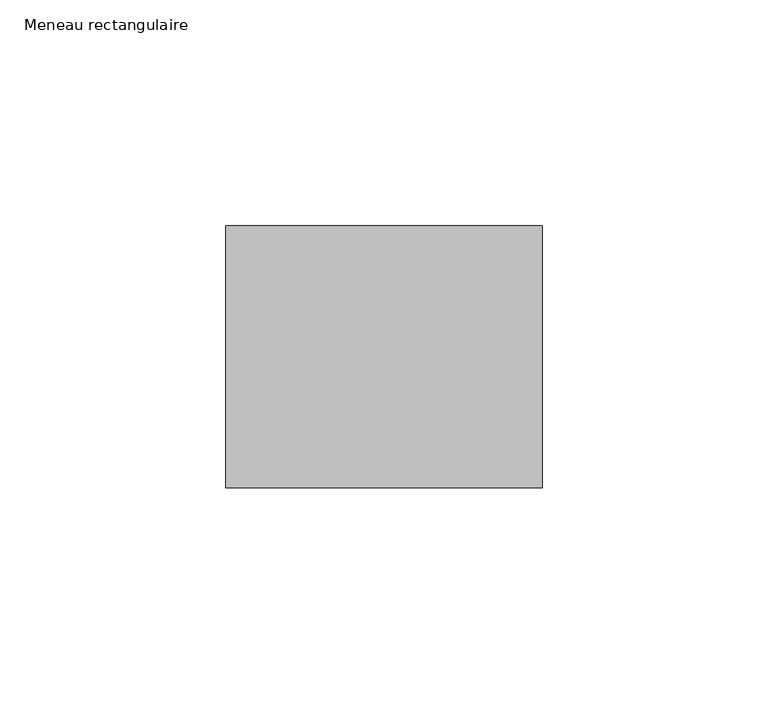
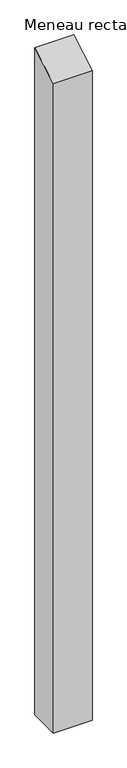
"""IFC4 building model written with IfcOpenShell, lengths in millimetres: member geometry, Meneau rectangulaire."""

from ifc_helpers import new_model, si_unit, frame, origin, place, context, project, spatial, polyline, outline, extrude, source, transform, mapped, element, save


def meneau_rectangulaire_197b1c3c(model_context):
    return source(origin(), model_context, "Body", "SweptSolid", [
        extrude(outline(polyline([(-29.0, -16.7431578), (29.0, 16.7431578), (29.0, -1259.7500002), (-29.0, -1259.7500002), (-29.0, -16.7431578)])), frame((-70.0, 0.0, 0.0), z_axis=(1.0, 0.0, 0.0), x_axis=(0.0, 1.0, 0.0)), (0.0, 0.0, 1.0), 70.0),
    ])


if __name__ == "__main__":
    model = new_model("IFC4")
    model_context = context("Model", 3, world=origin())
    ifc_project = project(units=[si_unit("LENGTHUNIT", "METRE", prefix="MILLI")], contexts=[model_context])
    site = spatial("IfcSite", under=ifc_project)
    building = spatial("IfcBuilding", under=site)
    placement = place(None, origin())
    meneau_rectangulaire_shape = meneau_rectangulaire_197b1c3c(model_context)
    element("IfcMember", 1, ObjectType="Meneau rectangulaire", at=placement, inside=building, context=model_context, shape_type="MappedRepresentation", body=[
        mapped(meneau_rectangulaire_shape, transform((0.0, 0.0, 0.0), x_axis=(1.0, 0.0, 0.0), y_axis=(0.0, 1.0, 0.0), z_axis=(0.0, 0.0, 1.0))),
    ])
    save(model, "model.ifc")
